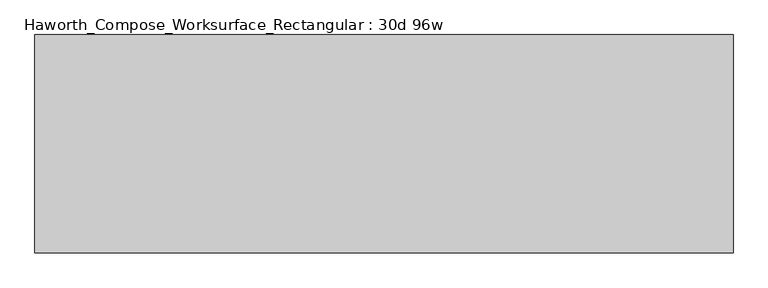
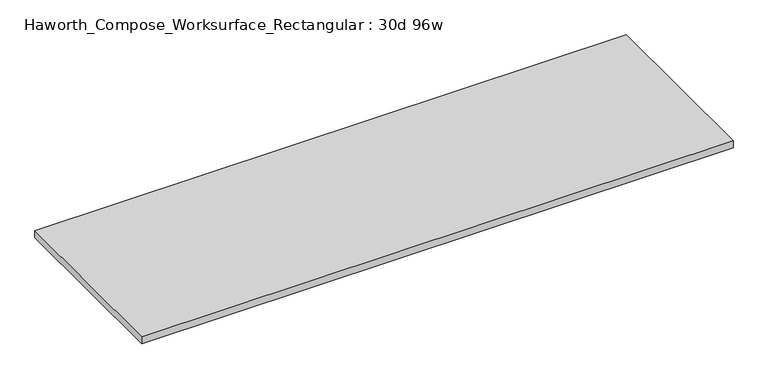
"""IFC4 building model written with IfcOpenShell, lengths in millimetres: furniture geometry, Haworth_Compose_Worksurface_Rectangular : 30d 96w."""

from ifc_helpers import new_model, si_unit, frame, origin, place, context, project, spatial, polyline, outline, extrude, source, transform, mapped, element, save


def haworth_compose_worksurface_rectangular_30d_96w_c8a3e827(model_context):
    return source(origin(), model_context, "Body", "SweptSolid", [
        extrude(outline(polyline([(1219.2, 381.0), (1219.2, -381.0), (-1219.2, -381.0), (-1219.2, 381.0), (1219.2, 381.0)])), frame((0.0, 0.0, 706.4375), z_axis=(0.0, 0.0, 1.0), x_axis=(1.0, 0.0, 0.0)), (0.0, 0.0, 1.0), 30.1625),
    ])


if __name__ == "__main__":
    model = new_model("IFC4")
    model_context = context("Model", 3, world=origin())
    ifc_project = project(units=[si_unit("LENGTHUNIT", "METRE", prefix="MILLI")], contexts=[model_context])
    site = spatial("IfcSite", under=ifc_project)
    building = spatial("IfcBuilding", under=site)
    placement = place(None, origin())
    haworth_compose_worksurface_rectangular_30d_96w_shape = haworth_compose_worksurface_rectangular_30d_96w_c8a3e827(model_context)
    element("IfcFurniture", 1, ObjectType="Haworth_Compose_Worksurface_Rectangular : 30d 96w", at=placement, inside=building, context=model_context, shape_type="MappedRepresentation", body=[
        mapped(haworth_compose_worksurface_rectangular_30d_96w_shape, transform((0.0, 0.0, 0.0), x_axis=(1.0, 0.0, 0.0), y_axis=(0.0, 1.0, 0.0), z_axis=(0.0, 0.0, 1.0))),
    ])
    save(model, "model.ifc")
